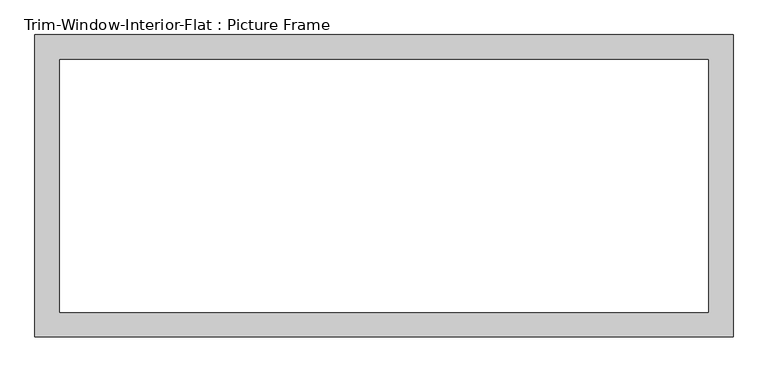
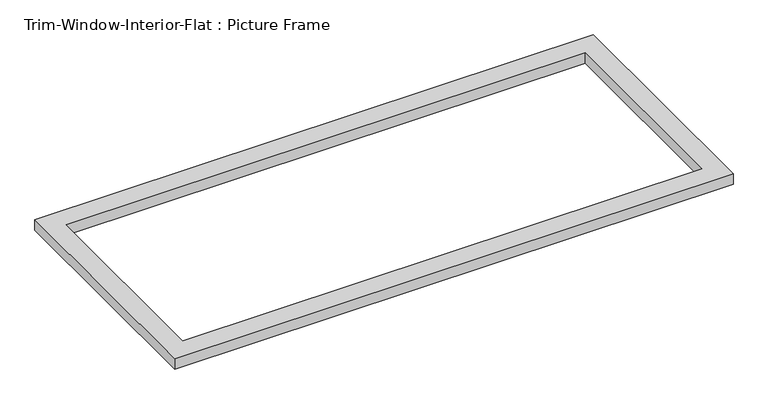
"""IFC4 building model written with IfcOpenShell, lengths in millimetres: proxy geometry, Trim-Window-Interior-Flat : Picture Frame."""

from ifc_helpers import new_model, si_unit, origin, origin_with_axes, place, context, project, spatial, polyline, outline, extrude, source, transform, mapped, element, save


def trim_window_interior_flat_picture_frame_a8c84840(model_context):
    return source(origin(), model_context, "Body", "SweptSolid", [
        extrude(outline(polyline([(806.45, 44.45), (806.45, -654.05), (-806.45, -654.05), (-806.45, 44.45), (806.45, 44.45)]), holes=[polyline([(749.3, -12.7), (-749.3, -12.7), (-749.3, -596.9), (749.3, -596.9), (749.3, -12.7)])]), origin_with_axes(), (0.0, 0.0, 1.0), 31.75),
    ])


if __name__ == "__main__":
    model = new_model("IFC4")
    model_context = context("Model", 3, world=origin())
    ifc_project = project(units=[si_unit("LENGTHUNIT", "METRE", prefix="MILLI")], contexts=[model_context])
    site = spatial("IfcSite", under=ifc_project)
    building = spatial("IfcBuilding", under=site)
    placement = place(None, origin())
    trim_window_interior_flat_picture_frame_shape = trim_window_interior_flat_picture_frame_a8c84840(model_context)
    element("IfcBuildingElementProxy", 1, Name="Trim-Window-Interior-Flat : Picture Frame", ObjectType="Trim-Window-Interior-Flat : Picture Frame", at=placement, inside=building, context=model_context, shape_type="MappedRepresentation", body=[
        mapped(trim_window_interior_flat_picture_frame_shape, transform((0.0, 0.0, 0.0), x_axis=(1.0, 0.0, 0.0), y_axis=(0.0, 1.0, 0.0), z_axis=(0.0, 0.0, 1.0))),
    ])
    save(model, "model.ifc")
